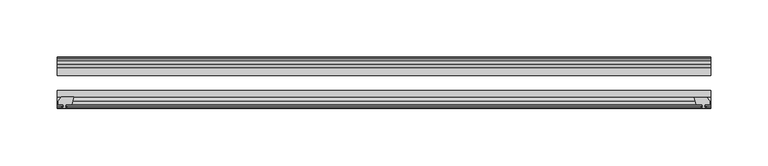
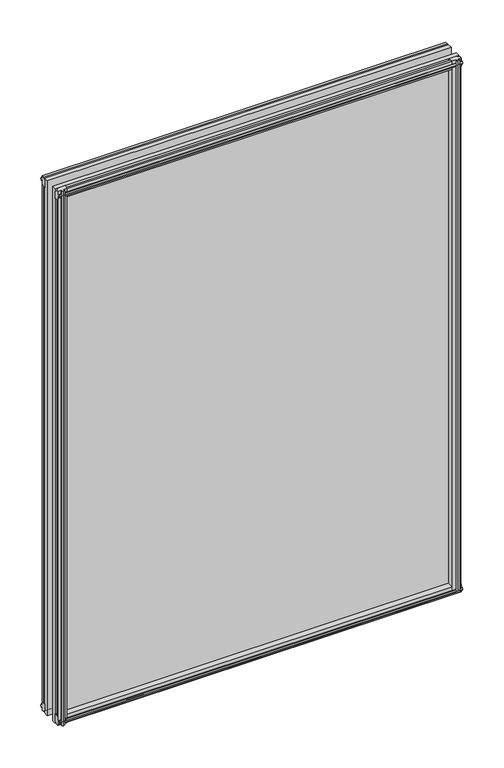
"""IFC4 building model written with IfcOpenShell, lengths in millimetres: plate geometry."""

from ifc_helpers import new_model, si_unit, frame, origin, place, context, project, spatial, polyline, outline, extrude, source, transform, mapped, element, save


def plate_67c19a1c(model_context):
    return source(origin(), model_context, "Body", "SweptSolid", [
        extrude(outline(polyline([(-271.3322819, -83.1453125), (-273.05, -89.4953125), (-278.257, -89.4953125), (-278.638, -91.8755095), (-277.2224709, -91.4155762), (-277.2224709, -92.2167904), (-279.4, -92.9243125), (-281.577529, -92.2167904), (-281.577529, -91.4155762), (-280.162, -91.8755095), (-280.543, -89.4953125), (-284.988, -89.4953125), (-284.988, -86.5489125), (-282.1536578, -83.1453125), (-271.3322819, -83.1453125)])), frame((0.0, 0.0, -12.4587), z_axis=(0.0, 0.0, 1.0), x_axis=(1.0, 0.0, 0.0)), (0.0, 0.0, 1.0), 799.6173999),
        extrude(outline(polyline([(271.3538926, -83.2252021), (282.1752685, -83.2252021), (285.0096107, -86.6288021), (285.0096107, -89.5752021), (280.5646107, -89.5752021), (280.1836107, -91.9553991), (281.5991397, -91.4954658), (281.5991397, -92.29668), (279.4216107, -93.0042021), (277.2440816, -92.29668), (277.2440816, -91.4954658), (278.6596107, -91.9553991), (278.2786107, -89.5752021), (273.0716107, -89.5752021), (271.3538926, -83.2252021)])), frame((0.0, 0.0, -9.0482291), z_axis=(0.0, 0.0, 1.0), x_axis=(1.0, 0.0, 0.0)), (0.0, 0.0, 1.0), 796.2069289),
        extrude(outline(polyline([(-280.6827, -49.0151155), (-282.098229, -49.4750488), (-282.098229, -48.6738346), (-279.9207, -47.9663125), (-277.7431709, -48.6738346), (-277.7431709, -49.4750488), (-279.1587, -49.0151155), (-278.7777, -51.3953125), (-273.5707, -51.3953125), (-271.8529819, -57.7453125), (-282.6743578, -57.7453125), (-285.5087, -54.3417125), (-285.5087, -51.3953125), (-281.0637, -51.3953125), (-280.6827, -49.0151155)])), frame((0.0, 0.0, -12.4587), z_axis=(0.0, 0.0, 1.0), x_axis=(1.0, 0.0, 0.0)), (0.0, 0.0, 1.0), 793.2673999),
        extrude(outline(polyline([(271.8529819, -57.7453125), (273.5707, -51.3953125), (278.7777, -51.3953125), (279.1587, -49.0151155), (277.7431709, -49.4750488), (277.7431709, -48.6738346), (279.9207, -47.9663125), (282.098229, -48.6738346), (282.098229, -49.4750488), (280.6827, -49.0151155), (281.0637, -51.3953125), (285.5087, -51.3953125), (285.5087, -54.3417125), (282.6743578, -57.7453125), (271.8529819, -57.7453125)])), frame((0.0, 0.0, -12.4587), z_axis=(0.0, 0.0, 1.0), x_axis=(1.0, 0.0, 0.0)), (0.0, 0.0, 1.0), 793.2673999),
        extrude(outline(polyline([(-48.6738346, -4.6931709), (-47.9663125, -6.8707), (-48.6738346, -9.0482291), (-49.4750488, -9.0482291), (-49.0151155, -7.6327), (-51.3953125, -8.0137), (-51.3953125, -12.4587), (-54.3417125, -12.4587), (-57.7453125, -9.6243578), (-57.7453125, 1.1970181), (-51.3953125, -0.5207), (-51.3953125, -5.7277), (-49.0151155, -6.1087), (-49.4750488, -4.6931709), (-48.6738346, -4.6931709)])), frame((-285.75, 0.0, 0.0), z_axis=(1.0, 0.0, 0.0), x_axis=(0.0, 1.0, 0.0)), (0.0, 0.0, 1.0), 571.4999999),
        extrude(outline(polyline([(-83.1453125, 1.7177181), (-83.1453125, -9.1036578), (-86.5489125, -11.938), (-89.4953125, -11.938), (-89.4953125, -7.493), (-91.8755095, -7.112), (-91.4155762, -8.5275291), (-92.2167904, -8.5275291), (-92.9243125, -6.35), (-92.2167904, -4.1724709), (-91.4155762, -4.1724709), (-91.8755095, -5.588), (-89.4953125, -5.207), (-89.4953125, 0.0), (-83.1453125, 1.7177181)])), frame((-285.75, 0.0, 0.0), z_axis=(1.0, 0.0, 0.0), x_axis=(0.0, 1.0, 0.0)), (0.0, 0.0, 1.0), 571.4999999),
        extrude(outline(polyline([(-49.0151155, 782.3326999), (-49.4750488, 783.7482289), (-48.6738346, 783.7482289), (-47.9663125, 781.5706999), (-48.6738346, 779.3931708), (-49.4750488, 779.3931708), (-49.0151155, 780.8086999), (-51.3953125, 780.4276999), (-51.3953125, 775.2206999), (-57.7453125, 773.5029818), (-57.7453125, 784.3243577), (-54.3417125, 787.1586999), (-51.3953125, 787.1586999), (-51.3953125, 782.7136999), (-49.0151155, 782.3326999)])), frame((-285.75, 0.0, 0.0), z_axis=(1.0, 0.0, 0.0), x_axis=(0.0, 1.0, 0.0)), (0.0, 0.0, 1.0), 571.4999999),
        extrude(outline(polyline([(-89.4953125, 786.6379999), (-86.5489125, 786.6379999), (-83.1453125, 783.8036577), (-83.1453125, 772.9822818), (-89.4953125, 774.6999999), (-89.4953125, 779.9069999), (-91.8755095, 780.2879999), (-91.4155762, 778.8724708), (-92.2167904, 778.8724708), (-92.9243125, 781.0499999), (-92.2167904, 783.2275289), (-91.4155762, 783.2275289), (-91.8755095, 781.8119999), (-89.4953125, 782.1929999), (-89.4953125, 786.6379999)])), frame((-285.75, 0.0, 0.0), z_axis=(1.0, 0.0, 0.0), x_axis=(0.0, 1.0, 0.0)), (0.0, 0.0, 1.0), 571.4999999),
        extrude(outline(polyline([(-285.75, -57.7453125), (285.75, -57.7453125), (285.75, -64.0953125), (-285.75, -64.0953125), (-285.75, -57.7453125)])), frame((0.0, 0.0, -12.7), z_axis=(0.0, 0.0, 1.0), x_axis=(1.0, 0.0, 0.0)), (0.0, 0.0, 1.0), 800.0999999),
        extrude(outline(polyline([(-285.75, -77.1178925), (285.75, -77.1178925), (285.75, -83.1453125), (-285.75, -83.1453125), (-285.75, -77.1178925)])), frame((0.0, 0.0, -12.7), z_axis=(0.0, 0.0, 1.0), x_axis=(1.0, 0.0, 0.0)), (0.0, 0.0, 1.0), 800.0999999),
    ])


if __name__ == "__main__":
    model = new_model("IFC4")
    model_context = context("Model", 3, world=origin())
    ifc_project = project(units=[si_unit("LENGTHUNIT", "METRE", prefix="MILLI")], contexts=[model_context])
    site = spatial("IfcSite", under=ifc_project)
    building = spatial("IfcBuilding", under=site)
    placement = place(None, origin())
    plate_shape = plate_67c19a1c(model_context)
    element("IfcPlate", 1, at=placement, inside=building, context=model_context, shape_type="MappedRepresentation", body=[
        mapped(plate_shape, transform((0.0, 0.0, 0.0), x_axis=(1.0, 0.0, 0.0), y_axis=(0.0, 1.0, 0.0), z_axis=(0.0, 0.0, 1.0))),
    ])
    save(model, "model.ifc")
